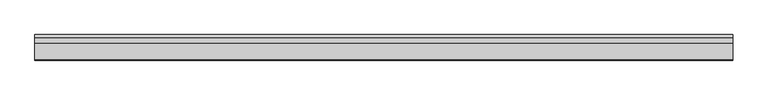
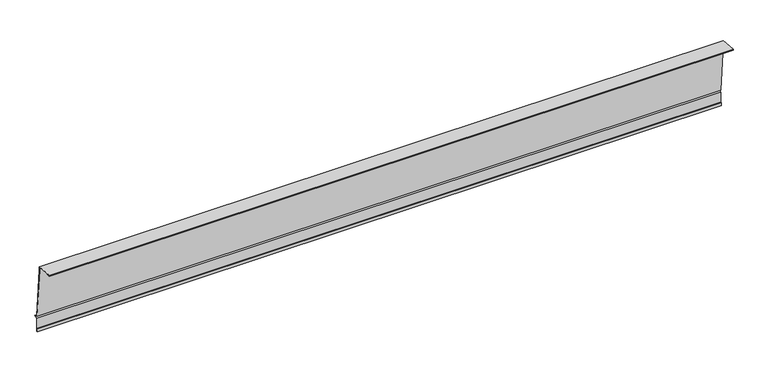
"""IFC4 building model written with IfcOpenShell, lengths in millimetres: proxy geometry."""

from ifc_helpers import new_model, si_unit, origin, place, context, project, spatial, faceted_brep, source, transform, mapped, element, save


def generic_models_f6c03638(model_context):
    return source(origin(), model_context, "Body", "Brep", [
        faceted_brep([(0.0, 0.8748866, 0.0), (0.0, -0.1289332, 0.0), (0.0, -0.9230623, 9.0769377), (0.0, -48.9006959, 13.2744367), (0.0, -48.9878517, 12.278242), (0.0, -40.0220994, 11.4938403), (0.0, -40.1092552, 10.4976456), (0.0, -50.0712021, 11.369203), (0.0, -49.8097349, 14.3577871), (0.0, 0.0, 10.0), (0.0, 13.9981862, -150.0), (0.0, 23.2369815, -153.8268343), (0.0, 13.9981862, -157.6536686), (0.0, 13.9981862, -197.6536686), (0.0, 10.9981862, -197.6536686), (0.0, 10.9981862, -187.6536686), (0.0, 11.9981862, -187.6536686), (0.0, 11.9981862, -196.6536686), (0.0, 12.9981862, -196.6536686), (0.0, 12.9981862, -156.98549), (0.0, 20.6238556, -153.8268343), (0.0, 13.0548789, -150.6916615), (2000.0, -0.1289332, 0.0), (2000.0, 0.8748866, 0.0), (2000.0, 0.0, 10.0), (2000.0, -49.8097349, 14.3577871), (2000.0, -50.0712021, 11.369203), (2000.0, -40.1092552, 10.4976456), (2000.0, -40.0220994, 11.4938403), (2000.0, -48.9878517, 12.278242), (2000.0, -48.9006959, 13.2744367), (2000.0, -0.9230623, 9.0769377), (2000.0, 13.0548789, -150.6916615), (2000.0, 20.6238556, -153.8268343), (2000.0, 12.9981862, -156.98549), (2000.0, 12.9981862, -196.6536686), (2000.0, 11.9981862, -196.6536686), (2000.0, 11.9981862, -187.6536686), (2000.0, 10.9981862, -187.6536686), (2000.0, 10.9981862, -197.6536686), (2000.0, 13.9981862, -197.6536686), (2000.0, 13.9981862, -157.6536686), (2000.0, 23.2369815, -153.8268343), (2000.0, 13.9981862, -150.0)], [[[0, 1, 2, 3, 4, 5, 6, 7, 8, 9]], [[1, 0, 10, 11, 12, 13, 14, 15, 16, 17, 18, 19, 20, 21]], [[22, 23, 24, 25, 26, 27, 28, 29, 30, 31]], [[23, 22, 32, 33, 34, 35, 36, 37, 38, 39, 40, 41, 42, 43]], [[9, 8, 25, 24]], [[0, 9, 24, 23, 43, 10]], [[11, 10, 43, 42]], [[12, 11, 42, 41]], [[13, 12, 41, 40]], [[14, 13, 40, 39]], [[15, 14, 39, 38]], [[16, 15, 38, 37]], [[17, 16, 37, 36]], [[18, 17, 36, 35]], [[19, 18, 35, 34]], [[20, 19, 34, 33]], [[21, 20, 33, 32]], [[2, 1, 21, 32, 22, 31]], [[3, 2, 31, 30]], [[4, 3, 30, 29]], [[5, 4, 29, 28]], [[6, 5, 28, 27]], [[7, 6, 27, 26]], [[8, 7, 26, 25]]]),
    ])


if __name__ == "__main__":
    model = new_model("IFC4")
    model_context = context("Model", 3, world=origin())
    ifc_project = project(units=[si_unit("LENGTHUNIT", "METRE", prefix="MILLI")], contexts=[model_context])
    site = spatial("IfcSite", under=ifc_project)
    building = spatial("IfcBuilding", under=site)
    placement = place(None, origin())
    generic_models_shape = generic_models_f6c03638(model_context)
    element("IfcBuildingElementProxy", 1, Name="Generic Models", at=placement, inside=building, context=model_context, shape_type="MappedRepresentation", body=[
        mapped(generic_models_shape, transform((0.0, 0.0, 0.0), x_axis=(1.0, 0.0, 0.0), y_axis=(0.0, 1.0, 0.0), z_axis=(0.0, 0.0, 1.0))),
    ])
    save(model, "model.ifc")
